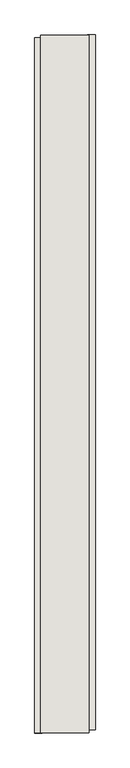
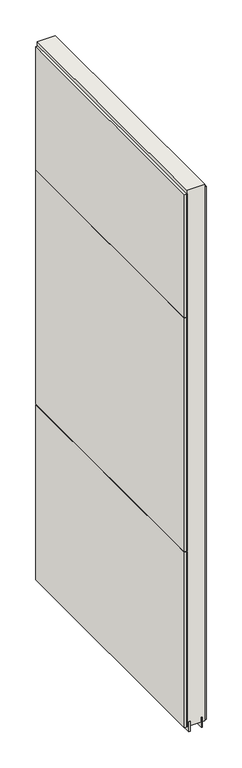
"""IFC4 building model written with IfcOpenShell, lengths in millimetres: wall geometry."""

from ifc_helpers import new_model, si_unit, frame, origin, place, context, project, spatial, polyline, outline, extrude, source, transform, mapped, element, save


def wall_b055b831(model_context):
    return source(origin(), model_context, "Body", "SweptSolid", [
        extrude(outline(polyline([(54789.4941546, -41852.2968642), (54789.4941546, -41849.7568642), (54792.0341546, -41849.7568642), (54792.0341546, -41852.2968642), (54789.4941546, -41852.2968642)])), frame((0.0, 0.0, 4419.6), z_axis=(0.0, 0.0, 1.0), x_axis=(1.0, 0.0, 0.0)), (0.0, 0.0, 1.0), 2.54),
        extrude(outline(polyline([(54841.5641546, -41849.2906472), (54841.5641546, -43013.6906552), (54828.8641546, -43013.6906552), (54828.8641546, -41849.2906472), (54841.5641546, -41849.2906472)])), frame((0.0, 0.0, 4445.0), z_axis=(0.0, 0.0, 1.0), x_axis=(1.0, 0.0, 0.0)), (0.0, 0.0, 1.0), 2545.0498756),
        extrude(outline(polyline([(54739.9641546, -43018.620592), (54739.9641546, -41854.220584), (54752.6641546, -41854.220584), (54752.6641546, -43018.620592), (54739.9641546, -43018.620592)])), frame((0.0, 0.0, 6402.8000722), z_axis=(0.0, 0.0, 1.0), x_axis=(1.0, 0.0, 0.0)), (0.0, 0.0, 1.0), 587.2498034),
        extrude(outline(polyline([(54739.9641546, -43018.620592), (54739.9641546, -41854.220584), (54752.6641546, -41854.220584), (54752.6641546, -43018.620592), (54739.9641546, -43018.620592)])), frame((0.0, 0.0, 5285.2000722), z_axis=(0.0, 0.0, 1.0), x_axis=(1.0, 0.0, 0.0)), (0.0, 0.0, 1.0), 1113.5999572),
        extrude(outline(polyline([(54739.9641546, -43018.620592), (54739.9641546, -41854.220584), (54752.6641546, -41854.220584), (54752.6641546, -43018.620592), (54739.9641546, -43018.620592)])), frame((0.0, 0.0, 4445.0), z_axis=(0.0, 0.0, 1.0), x_axis=(1.0, 0.0, 0.0)), (0.0, 0.0, 1.0), 836.200004),
        extrude(outline(polyline([(54815.8417016, -43018.1525208), (54815.8417016, -41849.7525208), (54820.920457, -41849.7525208), (54820.920457, -43018.1525208), (54815.8417016, -43018.1525208)])), frame((0.0, 0.0, 4418.6602), z_axis=(0.0, 0.0, 1.0), x_axis=(1.0, 0.0, 0.0)), (0.0, 0.0, 1.0), 47.625),
        extrude(outline(polyline([(54815.8417016, -43018.1525208), (54815.8417016, -41849.7525208), (54820.920457, -41849.7525208), (54820.920457, -43018.1525208), (54815.8417016, -43018.1525208)])), frame((0.0, 0.0, 4418.6602), z_axis=(0.0, 0.0, 1.0), x_axis=(1.0, 0.0, 0.0)), (0.0, 0.0, 1.0), 47.625),
        extrude(outline(polyline([(54765.6742124, -41849.7525208), (54765.6742124, -43018.1525208), (54760.595457, -43018.1525208), (54760.595457, -41849.7525208), (54765.6742124, -41849.7525208)])), frame((0.0, 0.0, 4418.6602), z_axis=(0.0, 0.0, 1.0), x_axis=(1.0, 0.0, 0.0)), (0.0, 0.0, 1.0), 47.625),
        extrude(outline(polyline([(54765.6742124, -41849.7525208), (54765.6742124, -43018.1525208), (54760.595457, -43018.1525208), (54760.595457, -41849.7525208), (54765.6742124, -41849.7525208)])), frame((0.0, 0.0, 4418.6602), z_axis=(0.0, 0.0, 1.0), x_axis=(1.0, 0.0, 0.0)), (0.0, 0.0, 1.0), 47.625),
        extrude(outline(polyline([(54831.4128414, -43018.1525208), (54750.134086, -43018.1525208), (54750.134086, -41849.7525208), (54831.4128414, -41849.7525208), (54831.4128414, -43018.1525208)])), frame((0.0, 0.0, 4445.0), z_axis=(0.0, 0.0, 1.0), x_axis=(1.0, 0.0, 0.0)), (0.0, 0.0, 1.0), 2562.4536762),
    ])


if __name__ == "__main__":
    model = new_model("IFC4")
    model_context = context("Model", 3, world=origin())
    ifc_project = project(units=[si_unit("LENGTHUNIT", "METRE", prefix="MILLI")], contexts=[model_context])
    site = spatial("IfcSite", under=ifc_project)
    building = spatial("IfcBuilding", under=site)
    placement = place(None, origin())
    wall_shape = wall_b055b831(model_context)
    element("IfcWall", 1, at=placement, inside=building, context=model_context, shape_type="MappedRepresentation", body=[
        mapped(wall_shape, transform((0.0, 0.0, 0.0), x_axis=(1.0, 0.0, 0.0), y_axis=(0.0, 1.0, 0.0), z_axis=(0.0, 0.0, 1.0))),
    ])
    save(model, "model.ifc")
